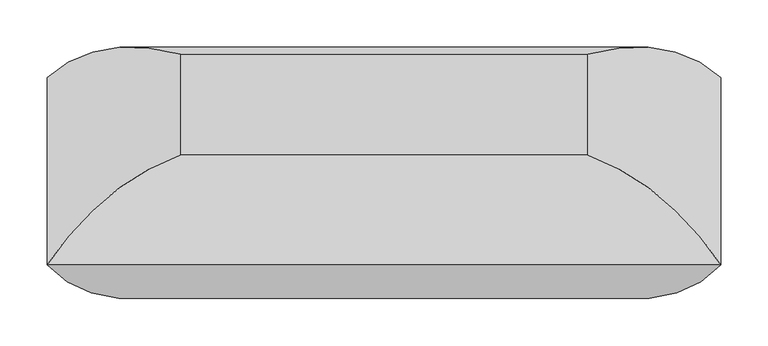
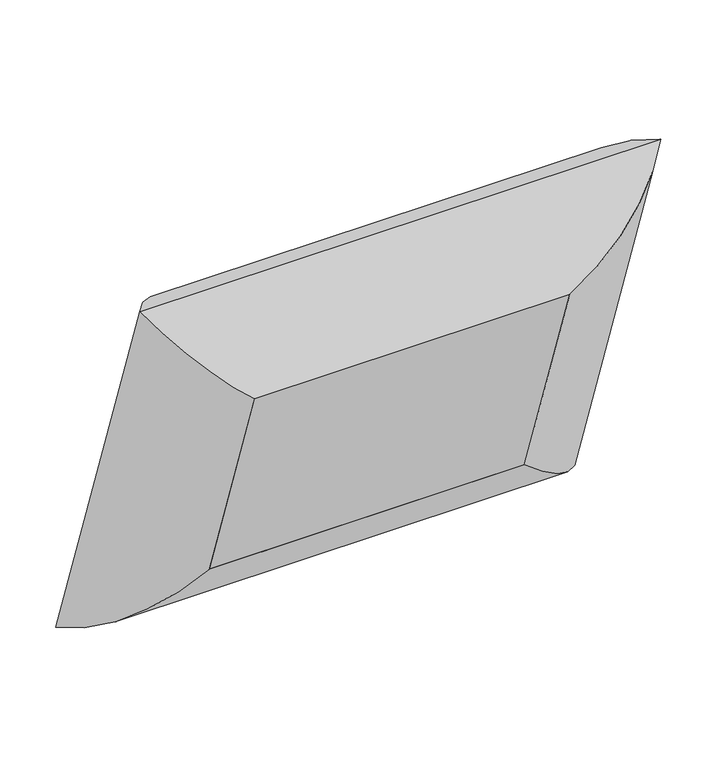
"""IFC4 building model written with IfcOpenShell, lengths in millimetres: furniture geometry."""

from ifc_helpers import new_model, si_unit, frame, origin, place, context, project, spatial, polyline, ellipse_curve, outline, extrude, source, transform, mapped, element, save
from ifc_brep_helpers import plane_surface, cylinder_surface, advanced_brep


def furniture_06c445de(model_context):
    return source(origin(), model_context, "Body", "SolidModel", [
        advanced_brep(
        [(-215.10625, -226.2488248, 849.6881603), (-355.2741804, -198.254194, 1007.5719867), (-355.2741804, 0.0, 431.8), (-215.10625, -119.2630596, 538.9789373), (-215.10625, -82.1517938, 899.304747), (-215.10625, 24.8339713, 588.5955241), (355.2741804, 0.0, 431.8), (215.10625, -119.2630596, 538.9789373), (215.10625, 24.8339713, 588.5955241), (355.2741804, -198.254194, 1007.5719867), (215.10625, -226.2488248, 849.6881603), (215.10625, -82.1517938, 899.304747)],
        [
            (0, 1, ellipse_curve(frame((-210.326504, -60.4657345, 901.7166978), z_axis=(-0.7071067811865478, 0.23021144975504007, -0.6685825965441236), x_axis=(-0.7071067811865474, -0.23021144975504035, 0.668582596544124)), 245.7274984, 173.7555804)),
            (1, 2),
            (2, 3, ellipse_curve(frame((-210.326504, 43.4077645, 600.0461521), z_axis=(-0.7071067811865472, -0.23021144975504018, 0.6685825965441241), x_axis=(0.7071067811865478, -0.23021144975504032, 0.6685825965441236)), 245.7274984, 173.7555804)),
            (3, 0),
            (4, 0),
            (3, 5),
            (5, 4),
            (1, 4, ellipse_curve(frame((-205.9179464, -255.3613157, 829.9461858), z_axis=(-0.7071067811865478, 0.23021144975504007, -0.6685825965441236), x_axis=(-0.7071067811865474, -0.23021144975504035, 0.668582596544124)), 263.8641638, 186.5801395)),
            (5, 2, ellipse_curve(frame((-205.9179464, -154.3583886, 536.6123863), z_axis=(-0.7071067811865472, -0.23021144975504018, 0.6685825965441241), x_axis=(0.7071067811865478, -0.23021144975504032, 0.6685825965441236)), 263.8641638, 186.5801395)),
            (2, 6),
            (6, 7, ellipse_curve(frame((210.326504, 43.4077645, 600.0461521), z_axis=(-0.7071067811865478, 0.23021144975504046, -0.6685825965441236), x_axis=(-0.7071067811865472, -0.2302114497550404, 0.668582596544124)), 245.7274984, 173.7555804)),
            (7, 3),
            (7, 8),
            (8, 5),
            (8, 6, ellipse_curve(frame((205.9179464, -154.3583886, 536.6123863), z_axis=(-0.7071067811865478, 0.23021144975504046, -0.6685825965441236), x_axis=(-0.7071067811865472, -0.2302114497550404, 0.668582596544124)), 263.8641638, 186.5801395)),
            (6, 9),
            (9, 10, ellipse_curve(frame((210.326504, -60.4657345, 901.7166978), z_axis=(0.7071067811865472, 0.23021144975504054, -0.6685825965441239), x_axis=(-0.7071067811865476, 0.23021144975504026, -0.6685825965441236)), 245.7274984, 173.7555804)),
            (10, 7),
            (10, 11),
            (11, 8),
            (11, 9, ellipse_curve(frame((205.9179464, -255.3613157, 829.9461858), z_axis=(0.7071067811865472, 0.23021144975504054, -0.6685825965441239), x_axis=(-0.7071067811865476, 0.23021144975504026, -0.6685825965441236)), 263.8641638, 186.5801395)),
            (9, 1),
            (0, 10),
            (4, 11),
        ],
        [
            cylinder_surface(frame((-210.326504, -62.0218676, 906.2360364), z_axis=(0.0, -0.32556815445715026, 0.9455185755993192), x_axis=(0.0, -0.9455185755993192, -0.32556815445715026)), 173.7555804),
            plane_surface(frame((-215.10625, -226.2488248, 849.6881603), z_axis=(1.0, 0.0, 0.0), x_axis=(0.0, 0.3255681544571503, -0.9455185755993191))),
            cylinder_surface(frame((-205.9179464, -258.3527347, 838.6338976), z_axis=(0.0, -0.32556815445715026, 0.9455185755993192), x_axis=(0.0, -0.9455185755993192, -0.32556815445715026)), 186.5801395),
            cylinder_surface(frame((-215.10625, 43.4077645, 600.0461521), z_axis=(-1.0000000000000002, 0.0, 0.0), x_axis=(0.0, -0.945518575599319, -0.32556815445715087)), 173.7555804),
            plane_surface(frame((-215.10625, -119.2630596, 538.9789373), z_axis=(0.0, -0.32556815445715076, 0.945518575599319), x_axis=(1.0, 0.0, 0.0))),
            cylinder_surface(frame((-215.10625, -154.3583886, 536.6123863), z_axis=(-1.0000000000000002, 0.0, 0.0), x_axis=(0.0, -0.945518575599319, -0.32556815445715087)), 186.5801395),
            cylinder_surface(frame((210.326504, 44.9638976, 595.5268135), z_axis=(0.0, 0.3255681544571505, -0.945518575599319), x_axis=(0.0, -0.945518575599319, -0.3255681544571505)), 173.7555804),
            plane_surface(frame((215.10625, -119.2630596, 538.9789373), z_axis=(-1.0, 0.0, 0.0), x_axis=(0.0, -0.3255681544571505, 0.945518575599319))),
            cylinder_surface(frame((205.9179464, -151.3669696, 527.9246746), z_axis=(0.0, 0.3255681544571505, -0.945518575599319), x_axis=(0.0, -0.945518575599319, -0.3255681544571505)), 186.5801395),
            cylinder_surface(frame((215.10625, -60.4657345, 901.7166978), z_axis=(1.0, 0.0, 0.0), x_axis=(0.0, -0.9455185755993192, -0.32556815445715)), 173.7555804),
            plane_surface(frame((215.10625, -226.2488248, 849.6881603), z_axis=(0.0, 0.3255681544571501, -0.9455185755993192), x_axis=(-1.0, 0.0, 0.0))),
            cylinder_surface(frame((215.10625, -255.3613157, 829.9461858), z_axis=(1.0, 0.0, 0.0), x_axis=(0.0, -0.9455185755993192, -0.32556815445715)), 186.5801395),
        ],
        [
            (0, [[1, 2, 3, 4]]),
            (1, [[5, -4, 6, 7]]),
            (2, [[8, -7, 9, -2]]),
            (3, [[-3, 10, 11, 12]]),
            (4, [[-6, -12, 13, 14]]),
            (5, [[-9, -14, 15, -10]]),
            (6, [[-11, 16, 17, 18]]),
            (7, [[-13, -18, 19, 20]]),
            (8, [[-15, -20, 21, -16]]),
            (9, [[-17, 22, -1, 23]]),
            (10, [[-19, -23, -5, 24]]),
            (11, [[-21, -24, -8, -22]]),
        ],
    ),
        extrude(outline(polyline([(0.0, -430.2125), (0.0, 0.0), (152.4, 0.0), (152.4, -430.2125), (0.0, -430.2125)])), frame((-215.10625, -119.2630596, 538.9789373), z_axis=(0.0, -0.3255681544571504, 0.9455185755993191), x_axis=(0.0, 0.9455185755993191, 0.3255681544571504)), (0.0, 0.0, 1.0), 328.6125),
    ])


if __name__ == "__main__":
    model = new_model("IFC4")
    model_context = context("Model", 3, world=origin())
    ifc_project = project(units=[si_unit("LENGTHUNIT", "METRE", prefix="MILLI")], contexts=[model_context])
    site = spatial("IfcSite", under=ifc_project)
    building = spatial("IfcBuilding", under=site)
    placement = place(None, origin())
    furniture_shape = furniture_06c445de(model_context)
    element("IfcFurniture", 1, at=placement, inside=building, context=model_context, shape_type="MappedRepresentation", body=[
        mapped(furniture_shape, transform((0.0, 0.0, 0.0), x_axis=(1.0, 0.0, 0.0), y_axis=(0.0, 1.0, 0.0), z_axis=(0.0, 0.0, 1.0))),
    ])
    save(model, "model.ifc")
